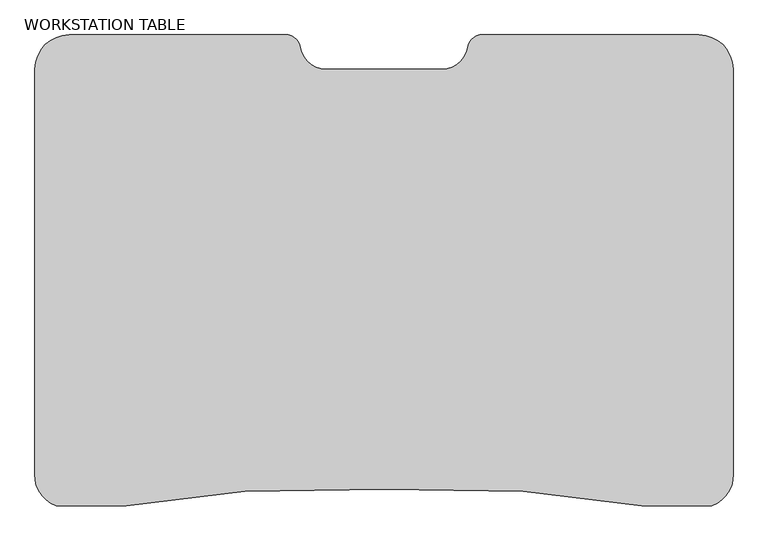
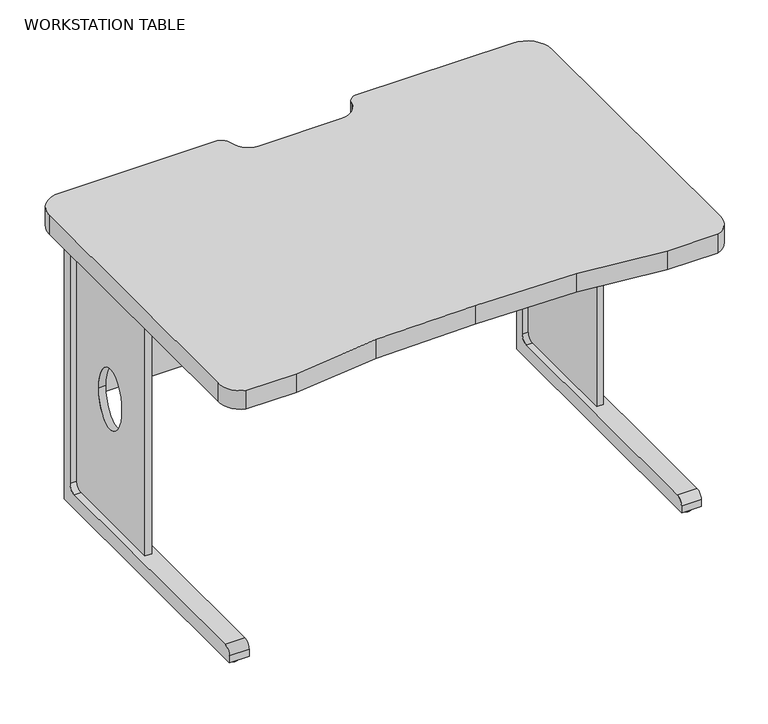
"""IFC4 building model written with IfcOpenShell, lengths in millimetres: proxy geometry, WORKSTATION TABLE."""

from ifc_helpers import new_model, si_unit, point, frame, frame_2d, origin, origin_with_axes, place, context, project, spatial, polyline, circle_curve, ellipse_curve, trimmed, segment, composite_curve, outline, extrude, source, transform, mapped, element, save
from ifc_brep_helpers import plane_surface, extruded_surface, advanced_brep


def workstation_table_c524f5be(model_context):
    return source(origin(), model_context, "Body", "SolidModel", [
        advanced_brep(
        [(-591.1559714, -393.5310292, 50.8), (-591.1559714, -393.5310292, 717.55), (-591.1559714, -82.3810292, 717.55), (-591.1559714, -82.3810292, 50.8), (-591.1559714, -288.7560292, 384.175), (-591.1559714, -187.1560292, 384.175), (-573.2864376, -393.5310292, 50.8), (-573.2864376, -82.3810292, 50.8), (-573.2864376, -82.3810292, 717.55), (-573.2864376, -393.5310292, 717.55), (-573.2864376, -187.1560292, 384.175), (-573.2864376, -288.7560292, 384.175)],
        [
            (0, 1),
            (1, 2),
            (2, 3),
            (3, 0),
            (4, 5, ellipse_curve(frame((-591.1559714, -237.9560292, 384.175), z_axis=(1.0, 0.0, 0.0), x_axis=(0.0, 0.0, 1.0)), 82.55, 50.8)),
            (5, 4, ellipse_curve(frame((-591.1559714, -237.9560292, 384.175), z_axis=(1.0, 0.0, 0.0), x_axis=(0.0, 0.0, 1.0)), 82.55, 50.8)),
            (6, 7),
            (7, 8),
            (8, 9),
            (9, 6),
            (10, 11, ellipse_curve(frame((-573.2864376, -237.9560292, 384.175), z_axis=(-1.0, 0.0, 0.0), x_axis=(0.0, -1.0, 0.0)), 50.8, 82.55)),
            (11, 10, ellipse_curve(frame((-573.2864376, -237.9560292, 384.175), z_axis=(-1.0, 0.0, 0.0), x_axis=(0.0, -1.0, 0.0)), 50.8, 82.55)),
            (0, 6),
            (9, 1),
            (8, 2),
            (7, 3),
            (4, 11),
            (10, 5),
        ],
        [
            plane_surface(frame((-591.1559714, -393.5310292, 717.55), z_axis=(-1.0, 0.0, 0.0), x_axis=(0.0, 0.0, 1.0))),
            plane_surface(frame((-573.2864376, -393.5310292, 717.55), z_axis=(1.0, 0.0, 0.0), x_axis=(0.0, 0.0, -1.0))),
            plane_surface(frame((-591.1559714, -393.5310292, 50.8), z_axis=(0.0, -1.0, 0.0), x_axis=(1.0, 0.0, 0.0))),
            plane_surface(frame((-591.1559714, -393.5310292, 717.55), z_axis=(0.0, 0.0, 1.0), x_axis=(1.0, 0.0, 0.0))),
            plane_surface(frame((-591.1559714, -82.3810292, 717.55), z_axis=(0.0, 1.0, 0.0), x_axis=(1.0, 0.0, 0.0))),
            plane_surface(frame((-591.1559714, -82.3810292, 50.8), z_axis=(0.0, 0.0, -1.0), x_axis=(1.0, 0.0, 0.0))),
            extruded_surface(trimmed(ellipse_curve(frame((-573.2864376, -237.9560292, 384.175), z_axis=(-1.0, 0.0, 0.0), x_axis=(0.0, -1.0, 0.0)), 50.8, 82.55), [point((-573.2864376, -187.1560292, 384.175))], [point((-573.2864376, -288.7560292, 384.175))], True, "CARTESIAN"), (17.869533700000034, 0.0, 0.0), 17.869533700000034),
            extruded_surface(trimmed(ellipse_curve(frame((-573.2864376, -237.9560292, 384.175), z_axis=(-1.0, 0.0, 0.0), x_axis=(0.0, -1.0, 0.0)), 50.8, 82.55), [point((-573.2864376, -288.7560292, 384.175))], [point((-573.2864376, -187.1560292, 384.175))], True, "CARTESIAN"), (17.869533700000034, 0.0, 0.0), 17.869533700000034),
        ],
        [
            (0, [[1, 2, 3, 4], [5, 6]]),
            (1, [[7, 8, 9, 10], [11, 12]]),
            (2, [[-1, 13, -10, 14]]),
            (3, [[-2, -14, -9, 15]]),
            (4, [[-3, -15, -8, 16]]),
            (5, [[-4, -16, -7, -13]]),
            (6, [[17, -11, 18, -5]]),
            (7, [[-17, -6, -18, -12]]),
        ],
    ),
        extrude(outline(composite_curve([segment(polyline([(-800.1097727, 736.6), (-800.1097727, 749.3), (-63.3310292, 749.3), (-63.3310292, 12.7), (-800.1097727, 12.7), (-800.1097727, 31.75)]), True, "CONTINUOUS"), segment(trimmed(circle_curve(frame_2d((-781.0597727, 31.75)), 19.05), [point((-800.1097727, 31.75))], [point((-781.0597727, 50.8))], False, "CARTESIAN"), True, "CONTINUOUS"), segment(polyline([(-781.0597727, 50.8), (-107.7810292, 50.8)]), True, "CONTINUOUS"), segment(trimmed(circle_curve(frame_2d((-107.7810292, 69.85)), 19.05), [point((-107.7810292, 50.8))], [point((-88.7310292, 69.85))], True, "CARTESIAN"), True, "CONTINUOUS"), segment(polyline([(-88.7310292, 69.85), (-88.7310292, 698.5)]), True, "CONTINUOUS"), segment(trimmed(circle_curve(frame_2d((-107.7810292, 698.5)), 19.05), [point((-88.7310292, 698.5))], [point((-107.7810292, 717.55))], True, "CARTESIAN"), True, "CONTINUOUS"), segment(polyline([(-107.7810292, 717.55), (-781.0597727, 717.55)]), True, "CONTINUOUS"), segment(trimmed(circle_curve(frame_2d((-781.0597727, 736.6)), 19.05), [point((-781.0597727, 717.55))], [point((-800.1097727, 736.6))], False, "CARTESIAN"), True, "CONTINUOUS")], self_intersect=False)), frame((-608.3545505, 0.0, 0.0), z_axis=(1.0, 0.0, 0.0), x_axis=(0.0, 1.0, 0.0)), (0.0, 0.0, 1.0), 50.8),
        extrude(outline(composite_curve([segment(polyline([(-800.1097727, 736.6), (-800.1097727, 749.3), (-63.3310292, 749.3), (-63.3310292, 12.7), (-800.1097727, 12.7), (-800.1097727, 31.75)]), True, "CONTINUOUS"), segment(trimmed(circle_curve(frame_2d((-781.0597727, 31.75)), 19.05), [point((-800.1097727, 31.75))], [point((-781.0597727, 50.8))], False, "CARTESIAN"), True, "CONTINUOUS"), segment(polyline([(-781.0597727, 50.8), (-107.7810292, 50.8)]), True, "CONTINUOUS"), segment(trimmed(circle_curve(frame_2d((-107.7810292, 69.85)), 19.05), [point((-107.7810292, 50.8))], [point((-88.7310292, 69.85))], True, "CARTESIAN"), True, "CONTINUOUS"), segment(polyline([(-88.7310292, 69.85), (-88.7310292, 717.55), (-781.0597727, 717.55)]), True, "CONTINUOUS"), segment(trimmed(circle_curve(frame_2d((-781.0597727, 736.6)), 19.05), [point((-781.0597727, 717.55))], [point((-800.1097727, 736.6))], False, "CARTESIAN"), True, "CONTINUOUS")], self_intersect=False)), frame((-608.3545505, 0.0, 0.0), z_axis=(1.0, 0.0, 0.0), x_axis=(0.0, 1.0, 0.0)), (0.0, 0.0, 1.0), 50.8),
        advanced_brep(
        [(591.1559714, -393.5310292, 50.8), (591.1559714, -82.3810292, 50.8), (591.1559714, -82.3810292, 717.55), (591.1559714, -393.5310292, 717.55), (591.1559714, -288.7560292, 384.175), (591.1559714, -187.1560292, 384.175), (573.2864376, -393.5310292, 50.8), (573.2864376, -393.5310292, 717.55), (573.2864376, -82.3810292, 717.55), (573.2864376, -82.3810292, 50.8), (573.2864376, -187.1560292, 384.175), (573.2864376, -288.7560292, 384.175)],
        [
            (0, 1),
            (1, 2),
            (2, 3),
            (3, 0),
            (4, 5, ellipse_curve(frame((591.1559714, -237.9560292, 384.175), z_axis=(-1.0, 0.0, 0.0), x_axis=(0.0, 0.0, -1.0)), 82.55, 50.8)),
            (5, 4, ellipse_curve(frame((591.1559714, -237.9560292, 384.175), z_axis=(-1.0, 0.0, 0.0), x_axis=(0.0, 0.0, -1.0)), 82.55, 50.8)),
            (6, 7),
            (7, 8),
            (8, 9),
            (9, 6),
            (10, 11, ellipse_curve(frame((573.2864376, -237.9560292, 384.175), z_axis=(1.0, 0.0, 0.0), x_axis=(0.0, -1.0, 0.0)), 50.8, 82.55)),
            (11, 10, ellipse_curve(frame((573.2864376, -237.9560292, 384.175), z_axis=(1.0, 0.0, 0.0), x_axis=(0.0, -1.0, 0.0)), 50.8, 82.55)),
            (0, 6),
            (9, 1),
            (8, 2),
            (7, 3),
            (4, 11),
            (10, 5),
        ],
        [
            plane_surface(frame((591.1559714, -393.5310292, 50.8), z_axis=(1.0, 0.0, 0.0), x_axis=(0.0, 1.0, 0.0))),
            plane_surface(frame((573.2864376, -393.5310292, 50.8), z_axis=(-1.0, 0.0, 0.0), x_axis=(0.0, -1.0, 0.0))),
            plane_surface(frame((591.1559714, -393.5310292, 50.8), z_axis=(0.0, 0.0, -1.0), x_axis=(-1.0, 0.0, 0.0))),
            plane_surface(frame((591.1559714, -82.3810292, 50.8), z_axis=(0.0, 1.0, 0.0), x_axis=(-1.0, 0.0, 0.0))),
            plane_surface(frame((591.1559714, -82.3810292, 717.55), z_axis=(0.0, 0.0, 1.0), x_axis=(-1.0, 0.0, 0.0))),
            plane_surface(frame((591.1559714, -393.5310292, 717.55), z_axis=(0.0, -1.0, 0.0), x_axis=(-1.0, 0.0, 0.0))),
            extruded_surface(trimmed(ellipse_curve(frame((573.2864376, -237.9560292, 384.175), z_axis=(1.0, 0.0, 0.0), x_axis=(0.0, -1.0, 0.0)), 50.8, 82.55), [point((573.2864376, -187.1560292, 384.175))], [point((573.2864376, -288.7560292, 384.175))], True, "CARTESIAN"), (-17.869533700000034, 0.0, 0.0), 17.869533700000034),
            extruded_surface(trimmed(ellipse_curve(frame((573.2864376, -237.9560292, 384.175), z_axis=(1.0, 0.0, 0.0), x_axis=(0.0, -1.0, 0.0)), 50.8, 82.55), [point((573.2864376, -288.7560292, 384.175))], [point((573.2864376, -187.1560292, 384.175))], True, "CARTESIAN"), (-17.869533700000034, 0.0, 0.0), 17.869533700000034),
        ],
        [
            (0, [[1, 2, 3, 4], [5, 6]]),
            (1, [[7, 8, 9, 10], [11, 12]]),
            (2, [[-1, 13, -10, 14]]),
            (3, [[-2, -14, -9, 15]]),
            (4, [[-3, -15, -8, 16]]),
            (5, [[-4, -16, -7, -13]]),
            (6, [[17, -11, 18, -5]]),
            (7, [[-17, -6, -18, -12]]),
        ],
    ),
        extrude(outline(composite_curve([segment(polyline([(-800.1097727, 736.6), (-800.1097727, 749.3), (-63.3310292, 749.3), (-63.3310292, 12.7), (-800.1097727, 12.7), (-800.1097727, 31.75)]), True, "CONTINUOUS"), segment(trimmed(circle_curve(frame_2d((-781.0597727, 31.75)), 19.05), [point((-800.1097727, 31.75))], [point((-781.0597727, 50.8))], False, "CARTESIAN"), True, "CONTINUOUS"), segment(polyline([(-781.0597727, 50.8), (-107.7810292, 50.8)]), True, "CONTINUOUS"), segment(trimmed(circle_curve(frame_2d((-107.7810292, 69.85)), 19.05), [point((-107.7810292, 50.8))], [point((-88.7310292, 69.85))], True, "CARTESIAN"), True, "CONTINUOUS"), segment(polyline([(-88.7310292, 69.85), (-88.7310292, 698.5)]), True, "CONTINUOUS"), segment(trimmed(circle_curve(frame_2d((-107.7810292, 698.5)), 19.05), [point((-88.7310292, 698.5))], [point((-107.7810292, 717.55))], True, "CARTESIAN"), True, "CONTINUOUS"), segment(polyline([(-107.7810292, 717.55), (-781.0597727, 717.55)]), True, "CONTINUOUS"), segment(trimmed(circle_curve(frame_2d((-781.0597727, 736.6)), 19.05), [point((-781.0597727, 717.55))], [point((-800.1097727, 736.6))], False, "CARTESIAN"), True, "CONTINUOUS")], self_intersect=False)), frame((557.5545505, 0.0, 0.0), z_axis=(1.0, 0.0, 0.0), x_axis=(0.0, 1.0, 0.0)), (0.0, 0.0, 1.0), 50.8),
        extrude(outline(polyline([(557.5545505, -76.7366049), (-557.5545505, -76.7366049), (-557.5545505, -63.3310292), (557.5545505, -63.3310292), (557.5545505, -76.7366049)])), frame((0.0, 0.0, 279.4), z_axis=(0.0, 0.0, 1.0), x_axis=(1.0, 0.0, 0.0)), (0.0, 0.0, 1.0), 203.2),
        extrude(outline(polyline([(557.5545505, -76.7366049), (-557.5545505, -76.7366049), (-557.5545505, -63.3310292), (557.5545505, -63.3310292), (557.5545505, -76.7366049)])), frame((0.0, 0.0, 615.95), z_axis=(0.0, 0.0, 1.0), x_axis=(1.0, 0.0, 0.0)), (0.0, 0.0, 1.0), 133.35),
        extrude(outline(composite_curve([segment(trimmed(circle_curve(frame_2d((-582.9545505, -774.7097727)), 12.7), [point((-595.6545505, -774.7097727))], [point((-570.2545505, -774.7097727))], False, "CARTESIAN"), True, "CONTINUOUS"), segment(trimmed(circle_curve(frame_2d((-582.9545505, -774.7097727)), 12.7), [point((-570.2545505, -774.7097727))], [point((-595.6545505, -774.7097727))], False, "CARTESIAN"), True, "CONTINUOUS")], self_intersect=False)), origin_with_axes(), (0.0, 0.0, 1.0), 12.7),
        extrude(outline(composite_curve([segment(trimmed(circle_curve(frame_2d((582.9545505, -774.7097727)), 12.7), [point((595.6545505, -774.7097727))], [point((570.2545505, -774.7097727))], False, "CARTESIAN"), True, "CONTINUOUS"), segment(trimmed(circle_curve(frame_2d((582.9545505, -774.7097727)), 12.7), [point((570.2545505, -774.7097727))], [point((595.6545505, -774.7097727))], False, "CARTESIAN"), True, "CONTINUOUS")], self_intersect=False)), origin_with_axes(), (0.0, 0.0, 1.0), 12.7),
        extrude(outline(composite_curve([segment(trimmed(circle_curve(frame_2d((-582.9545505, -88.7310292)), 12.7), [point((-595.6545505, -88.7310292))], [point((-570.2545505, -88.7310292))], False, "CARTESIAN"), True, "CONTINUOUS"), segment(trimmed(circle_curve(frame_2d((-582.9545505, -88.7310292)), 12.7), [point((-570.2545505, -88.7310292))], [point((-595.6545505, -88.7310292))], False, "CARTESIAN"), True, "CONTINUOUS")], self_intersect=False)), origin_with_axes(), (0.0, 0.0, 1.0), 12.7),
        extrude(outline(composite_curve([segment(trimmed(circle_curve(frame_2d((582.9545505, -88.7310292)), 12.7), [point((595.6545505, -88.7310292))], [point((570.2545505, -88.7310292))], False, "CARTESIAN"), True, "CONTINUOUS"), segment(trimmed(circle_curve(frame_2d((582.9545505, -88.7310292)), 12.7), [point((570.2545505, -88.7310292))], [point((595.6545505, -88.7310292))], False, "CARTESIAN"), True, "CONTINUOUS")], self_intersect=False)), origin_with_axes(), (0.0, 0.0, 1.0), 12.7),
        extrude(outline(composite_curve([segment(trimmed(circle_curve(frame_2d((-183.8976851, -28.5274324)), 29.1586653), [point((-177.8633363, 0.0))], [point((-155.177639, -23.4889089))], False, "CARTESIAN"), True, "CONTINUOUS"), segment(trimmed(circle_curve(frame_2d((-107.7373073, -15.1661775)), 48.1648517), [point((-155.177639, -23.4889089))], [point((-107.7373073, -63.3310292))], True, "CARTESIAN"), True, "CONTINUOUS"), segment(polyline([(-107.7373073, -63.3310292), (107.7373073, -63.3310292)]), True, "CONTINUOUS"), segment(trimmed(circle_curve(frame_2d((107.7373073, -15.1661775)), 48.1648517), [point((107.7373073, -63.3310292))], [point((155.177639, -23.4889089))], True, "CARTESIAN"), True, "CONTINUOUS"), segment(trimmed(circle_curve(frame_2d((183.8976851, -28.5274324)), 29.1586653), [point((155.177639, -23.4889089))], [point((177.8633363, 0.0))], False, "CARTESIAN"), True, "CONTINUOUS"), segment(polyline([(177.8633363, 0.0), (584.2, 0.0)]), True, "CONTINUOUS"), segment(trimmed(circle_curve(frame_2d((584.2, -63.5)), 63.5), [point((584.2, 0.0))], [point((647.7, -63.5))], False, "CARTESIAN"), True, "CONTINUOUS"), segment(polyline([(647.7, -63.5), (647.7, -816.0343715)]), True, "CONTINUOUS"), segment(trimmed(circle_curve(frame_2d((588.7840945, -818.7341176)), 58.9777293), [point((647.7, -816.0343715))], [point((608.3545505, -874.3701653))], False, "CARTESIAN"), True, "CONTINUOUS"), segment(trimmed(circle_curve(frame_2d((543.3087809, 207.3399218)), 1083.6639998), [point((608.3545505, -874.3701653))], [point((478.2630112, -874.3701653))], False, "CARTESIAN"), True, "CONTINUOUS"), segment(polyline([(478.2630112, -874.3701653), (258.4127174, -847.924796)]), True, "CONTINUOUS"), segment(trimmed(circle_curve(frame_2d((-3.8000723, -9779.1285707)), 8935.0521215), [point((258.4127174, -847.924796))], [point((0.0, -844.0772574))], True, "CARTESIAN"), True, "CONTINUOUS"), segment(trimmed(circle_curve(frame_2d((3.8000723, -9779.1285707)), 8935.0521215), [point((0.0, -844.0772574))], [point((-258.4127174, -847.924796))], True, "CARTESIAN"), True, "CONTINUOUS"), segment(polyline([(-258.4127174, -847.924796), (-478.2630112, -874.3701653)]), True, "CONTINUOUS"), segment(trimmed(circle_curve(frame_2d((-543.3087809, 207.3399218)), 1083.6639998), [point((-478.2630112, -874.3701653))], [point((-608.3545505, -874.3701653))], False, "CARTESIAN"), True, "CONTINUOUS"), segment(trimmed(circle_curve(frame_2d((-588.7840945, -818.7341176)), 58.9777293), [point((-608.3545505, -874.3701653))], [point((-647.7, -816.0343715))], False, "CARTESIAN"), True, "CONTINUOUS"), segment(polyline([(-647.7, -816.0343715), (-647.7, -63.5)]), True, "CONTINUOUS"), segment(trimmed(circle_curve(frame_2d((-584.2, -63.5)), 63.5), [point((-647.7, -63.5))], [point((-584.2, 0.0))], False, "CARTESIAN"), True, "CONTINUOUS"), segment(polyline([(-584.2, 0.0), (-177.8633363, 0.0)]), True, "CONTINUOUS")], self_intersect=False)), frame((0.0, 0.0, 749.3), z_axis=(0.0, 0.0, 1.0), x_axis=(1.0, 0.0, 0.0)), (0.0, 0.0, 1.0), 50.8),
    ])


if __name__ == "__main__":
    model = new_model("IFC4")
    model_context = context("Model", 3, world=origin())
    ifc_project = project(units=[si_unit("LENGTHUNIT", "METRE", prefix="MILLI")], contexts=[model_context])
    site = spatial("IfcSite", under=ifc_project)
    building = spatial("IfcBuilding", under=site)
    placement = place(None, origin())
    workstation_table_shape = workstation_table_c524f5be(model_context)
    element("IfcBuildingElementProxy", 1, Name="WORKSTATION TABLE", ObjectType="WORKSTATION TABLE", at=placement, inside=building, context=model_context, shape_type="MappedRepresentation", body=[
        mapped(workstation_table_shape, transform((0.0, 0.0, 0.0), x_axis=(1.0, 0.0, 0.0), y_axis=(0.0, 1.0, 0.0), z_axis=(0.0, 0.0, 1.0))),
    ])
    save(model, "model.ifc")
